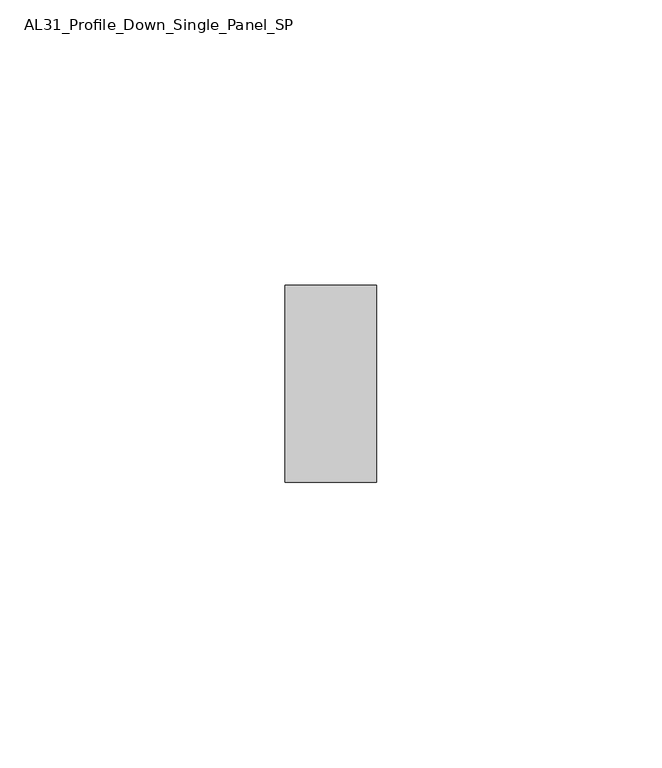
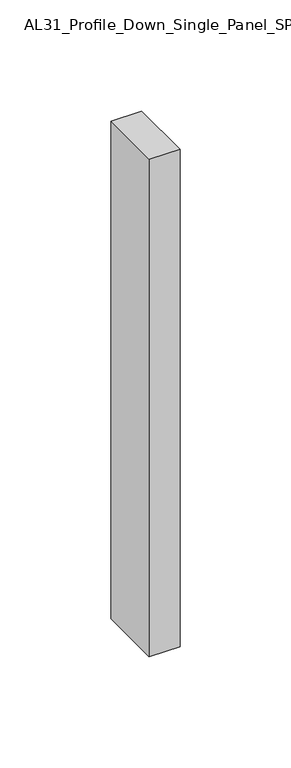
"""IFC4 building model written with IfcOpenShell, lengths in millimetres: member geometry, AL31_Profile_Down_Single_Panel_SP."""

from ifc_helpers import new_model, si_unit, frame, origin, place, context, project, spatial, polyline, outline, extrude, source, transform, mapped, element, save


def al31_profile_down_single_panel_sp_b2d15964(model_context):
    return source(origin(), model_context, "Body", "SweptSolid", [
        extrude(outline(polyline([(0.0, -17.25), (-16.0, -17.25), (-16.0, 17.25), (0.0, 17.25), (0.0, -17.25)])), frame((0.0, 0.0, -273.7188947), z_axis=(0.0, 0.0, 1.0), x_axis=(1.0, 0.0, 0.0)), (0.0, 0.0, 1.0), 273.7188947),
    ])


if __name__ == "__main__":
    model = new_model("IFC4")
    model_context = context("Model", 3, world=origin())
    ifc_project = project(units=[si_unit("LENGTHUNIT", "METRE", prefix="MILLI")], contexts=[model_context])
    site = spatial("IfcSite", under=ifc_project)
    building = spatial("IfcBuilding", under=site)
    placement = place(None, origin())
    al31_profile_down_single_panel_sp_shape = al31_profile_down_single_panel_sp_b2d15964(model_context)
    element("IfcMember", 1, ObjectType="AL31_Profile_Down_Single_Panel_SP", at=placement, inside=building, context=model_context, shape_type="MappedRepresentation", body=[
        mapped(al31_profile_down_single_panel_sp_shape, transform((0.0, 0.0, 0.0), x_axis=(1.0, 0.0, 0.0), y_axis=(0.0, 1.0, 0.0), z_axis=(0.0, 0.0, 1.0))),
    ])
    save(model, "model.ifc")
